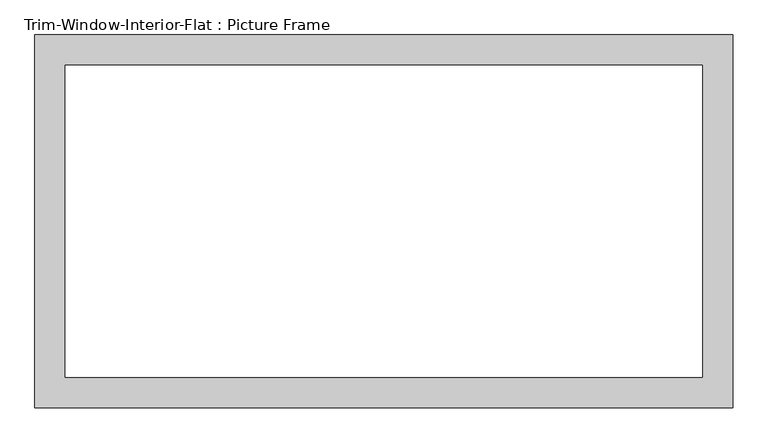
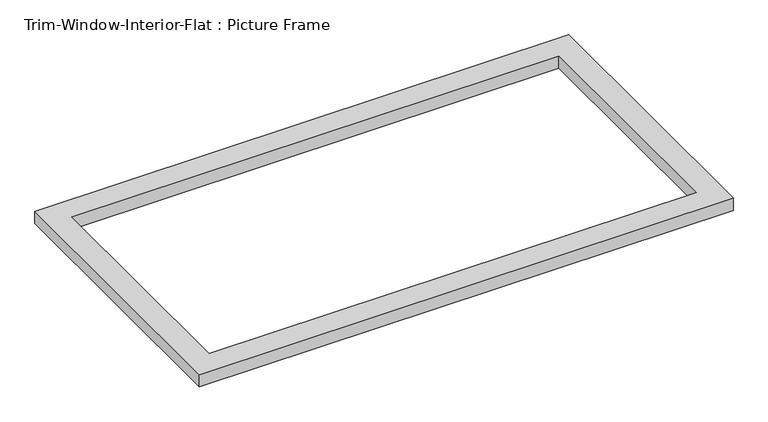
"""IFC4 building model written with IfcOpenShell, lengths in millimetres: proxy geometry, Trim-Window-Interior-Flat : Picture Frame."""

from ifc_helpers import new_model, si_unit, origin, origin_with_axes, place, context, project, spatial, polyline, outline, extrude, source, transform, mapped, element, save


def trim_window_interior_flat_picture_frame_0870d947(model_context):
    return source(origin(), model_context, "Body", "SweptSolid", [
        extrude(outline(polyline([(654.05, 44.45), (654.05, -654.05), (-654.05, -654.05), (-654.05, 44.45), (654.05, 44.45)]), holes=[polyline([(596.9, -12.7), (-596.9, -12.7), (-596.9, -596.9), (596.9, -596.9), (596.9, -12.7)])]), origin_with_axes(), (0.0, 0.0, 1.0), 31.75),
    ])


if __name__ == "__main__":
    model = new_model("IFC4")
    model_context = context("Model", 3, world=origin())
    ifc_project = project(units=[si_unit("LENGTHUNIT", "METRE", prefix="MILLI")], contexts=[model_context])
    site = spatial("IfcSite", under=ifc_project)
    building = spatial("IfcBuilding", under=site)
    placement = place(None, origin())
    trim_window_interior_flat_picture_frame_shape = trim_window_interior_flat_picture_frame_0870d947(model_context)
    element("IfcBuildingElementProxy", 1, Name="Trim-Window-Interior-Flat : Picture Frame", ObjectType="Trim-Window-Interior-Flat : Picture Frame", at=placement, inside=building, context=model_context, shape_type="MappedRepresentation", body=[
        mapped(trim_window_interior_flat_picture_frame_shape, transform((0.0, 0.0, 0.0), x_axis=(1.0, 0.0, 0.0), y_axis=(0.0, 1.0, 0.0), z_axis=(0.0, 0.0, 1.0))),
    ])
    save(model, "model.ifc")
